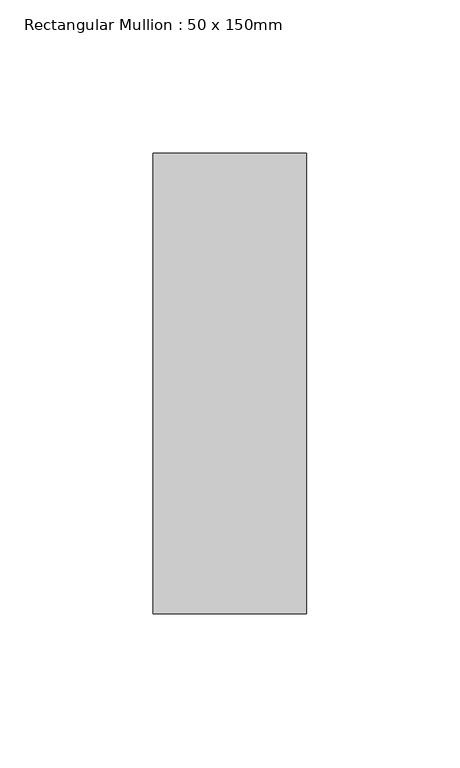
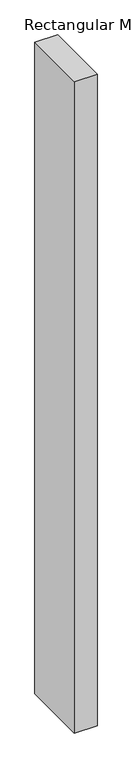
"""IFC4 building model written with IfcOpenShell, lengths in millimetres: member geometry, Rectangular Mullion : 50 x 150mm."""

from ifc_helpers import new_model, si_unit, frame, origin, place, context, project, spatial, polyline, outline, extrude, source, transform, mapped, element, save


def rectangular_mullion_50_x_150mm_09008a6a(model_context):
    return source(origin(), model_context, "Body", "SweptSolid", [
        extrude(outline(polyline([(25.0, 75.0), (25.0, -75.0), (-25.0, -75.0), (-25.0, 75.0), (25.0, 75.0)])), frame((0.0, 0.0, -1514.02512), z_axis=(0.0, 0.0, 1.0), x_axis=(1.0, 0.0, 0.0)), (0.0, 0.0, 1.0), 1514.02512),
    ])


if __name__ == "__main__":
    model = new_model("IFC4")
    model_context = context("Model", 3, world=origin())
    ifc_project = project(units=[si_unit("LENGTHUNIT", "METRE", prefix="MILLI")], contexts=[model_context])
    site = spatial("IfcSite", under=ifc_project)
    building = spatial("IfcBuilding", under=site)
    placement = place(None, origin())
    rectangular_mullion_50_x_150mm_shape = rectangular_mullion_50_x_150mm_09008a6a(model_context)
    element("IfcMember", 1, ObjectType="Rectangular Mullion : 50 x 150mm", at=placement, inside=building, context=model_context, shape_type="MappedRepresentation", body=[
        mapped(rectangular_mullion_50_x_150mm_shape, transform((0.0, 0.0, 0.0), x_axis=(1.0, 0.0, 0.0), y_axis=(0.0, 1.0, 0.0), z_axis=(0.0, 0.0, 1.0))),
    ])
    save(model, "model.ifc")
